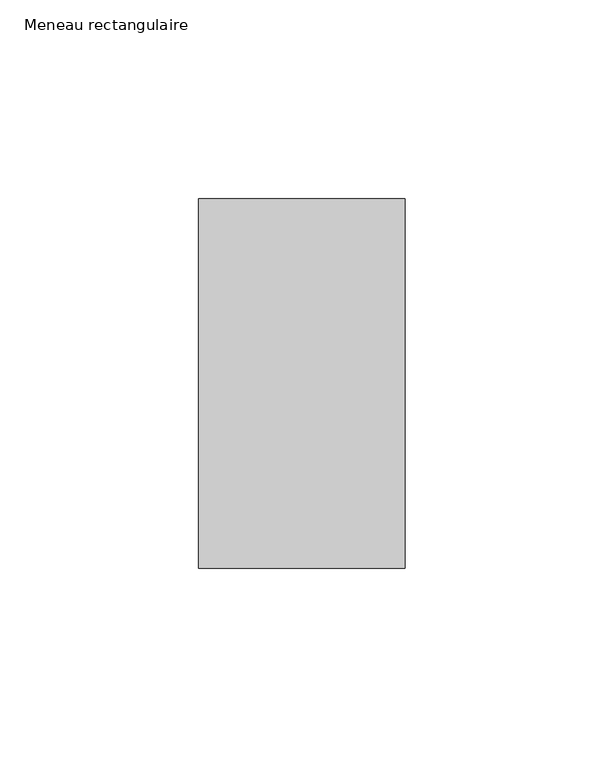
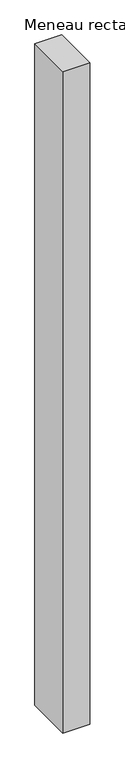
"""IFC4 building model written with IfcOpenShell, lengths in millimetres: member geometry, Meneau rectangulaire."""

from ifc_helpers import new_model, si_unit, frame, origin, place, context, project, spatial, polyline, outline, extrude, source, transform, mapped, element, save


def meneau_rectangulaire_52a9dae3(model_context):
    return source(origin(), model_context, "Body", "SweptSolid", [
        extrude(outline(polyline([(-52.0, 46.5), (0.0, 46.5), (0.0, -46.5), (-52.0, -46.5), (-52.0, 46.5)])), frame((0.0, 0.0, -1344.6666669), z_axis=(0.0, 0.0, 1.0), x_axis=(1.0, 0.0, 0.0)), (0.0, 0.0, 1.0), 1344.6666669),
    ])


if __name__ == "__main__":
    model = new_model("IFC4")
    model_context = context("Model", 3, world=origin())
    ifc_project = project(units=[si_unit("LENGTHUNIT", "METRE", prefix="MILLI")], contexts=[model_context])
    site = spatial("IfcSite", under=ifc_project)
    building = spatial("IfcBuilding", under=site)
    placement = place(None, origin())
    meneau_rectangulaire_shape = meneau_rectangulaire_52a9dae3(model_context)
    element("IfcMember", 1, ObjectType="Meneau rectangulaire", at=placement, inside=building, context=model_context, shape_type="MappedRepresentation", body=[
        mapped(meneau_rectangulaire_shape, transform((0.0, 0.0, 0.0), x_axis=(1.0, 0.0, 0.0), y_axis=(0.0, 1.0, 0.0), z_axis=(0.0, 0.0, 1.0))),
    ])
    save(model, "model.ifc")
